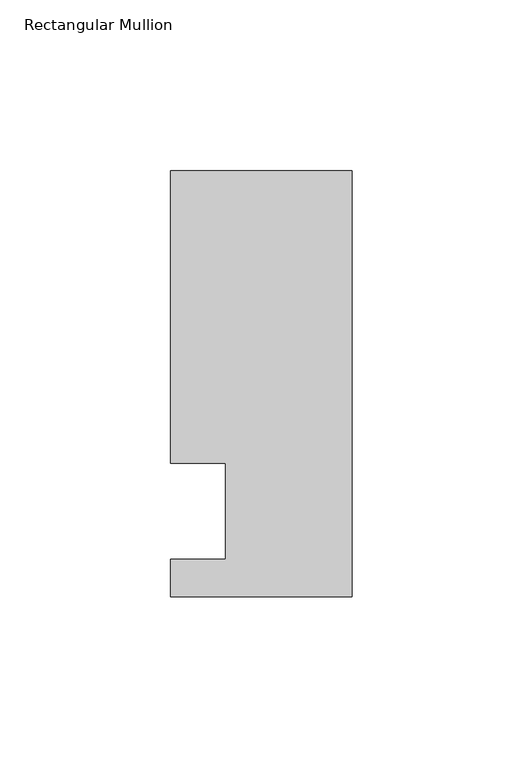
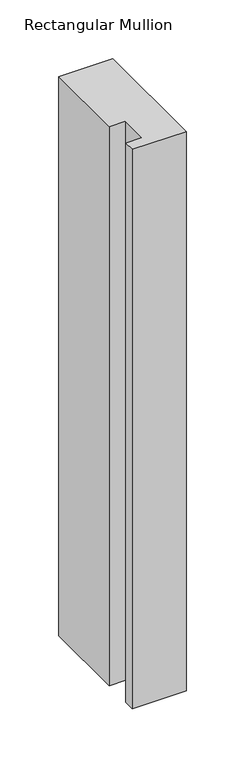
"""IFC4 building model written with IfcOpenShell, lengths in millimetres: member geometry, Rectangular Mullion."""

import ifcopenshell
import ifcopenshell.guid

model = None  # the IFC model being written
_history = None  # IfcOwnerHistory: only IFC2X3 demands one
_inside = {}  # id of a spatial element -> (the spatial element, [elements in it])
_under = {}  # id of a project, library or spatial element -> (it, [spatial elements below it])
_declared = {}  # id of a project -> (the project, [libraries it declares])
_typed = {}  # id of a type object -> (the type object, [elements of that type])
_made_of = {}  # id of a material, layer set ... -> (it, [elements and type objects made of it])


def new_model(schema):
    """Start an empty IFC model of exactly this schema.

    Asked for "IFC4X3", IfcOpenShell would pick the latest addendum, in which some entities
    have other attributes; the version numbers below select the first issue.
    IFC2X3 requires an IfcOwnerHistory on every rooted entity: one is made here for all.
    """
    global model, _history
    if schema == "IFC4X3":
        model = ifcopenshell.file(schema_version=(4, 3, 0, 0))
    else:
        model = ifcopenshell.file(schema=schema)
    _inside.clear()
    _under.clear()
    _declared.clear()
    _typed.clear()
    _made_of.clear()
    _history = None
    if model.schema == "IFC2X3":
        org = make("IfcOrganization", Name="unknown")
        user = make(
            "IfcPersonAndOrganization",
            ThePerson=make("IfcPerson", FamilyName="unknown"),
            TheOrganization=org,
        )
        app = make(
            "IfcApplication",
            ApplicationDeveloper=org,
            Version="unknown",
            ApplicationFullName="unknown",
            ApplicationIdentifier="unknown",
        )
        _history = make(
            "IfcOwnerHistory",
            OwningUser=user,
            OwningApplication=app,
            ChangeAction="ADDED",
            CreationDate=0,
        )
    return model


def make(cls, **values):
    """One entity of the class cls with the attributes given. An attribute that is None is left unset."""
    return model.create_entity(
        cls, **{name: value for name, value in values.items() if value is not None}
    )


def rooted(cls, **values):
    """An entity with a GlobalId (a new one), such as an element, a storey or a relation."""
    return make(cls, GlobalId=ifcopenshell.guid.new(), OwnerHistory=_history, **values)


def si_unit(unit_type, name, prefix=None):
    """IfcSIUnit, for example si_unit("LENGTHUNIT", "METRE", prefix="MILLI")."""
    return make("IfcSIUnit", UnitType=unit_type, Prefix=prefix, Name=name)


def assignment(units):
    """IfcUnitAssignment: the units of a project."""
    return None if units is None else make("IfcUnitAssignment", Units=units)


def point(xyz):
    """IfcCartesianPoint."""
    return None if xyz is None else make("IfcCartesianPoint", Coordinates=xyz)


def direction(xyz):
    """IfcDirection."""
    return None if xyz is None else make("IfcDirection", DirectionRatios=xyz)


def frame(location, z_axis=None, x_axis=None):
    """IfcAxis2Placement3D, a coordinate frame: its origin and axes. An axis left out is left unset."""
    return make(
        "IfcAxis2Placement3D",
        Location=point(location),
        Axis=direction(z_axis),
        RefDirection=direction(x_axis),
    )


def origin():
    """The frame at (0, 0, 0) with its axes left unset."""
    return frame((0.0, 0.0, 0.0))


def place(relative_to, where):
    """IfcLocalPlacement: puts the frame where relative to a parent placement (None: the world)."""
    return make(
        "IfcLocalPlacement", PlacementRelTo=relative_to, RelativePlacement=where
    )


def context(
    kind, dimensions, precision=None, world=None, true_north=None, identifier=None
):
    """IfcGeometricRepresentationContext, for example the 3D "Model" context."""
    return make(
        "IfcGeometricRepresentationContext",
        ContextIdentifier=identifier,
        ContextType=kind,
        CoordinateSpaceDimension=dimensions,
        Precision=precision,
        WorldCoordinateSystem=world,
        TrueNorth=true_north,
    )


def project(units=None, contexts=None):
    """IfcProject with its units and contexts."""
    return rooted(
        "IfcProject",
        Name="project",
        RepresentationContexts=contexts,
        UnitsInContext=assignment(units),
    )


def spatial(cls, under=None, at=None, **own):
    """A site, building, storey or space (cls), placed at a placement, below another one or the project."""
    s = rooted(cls, ObjectPlacement=at, **own)
    if under is not None:
        _under.setdefault(under.id(), (under, []))[1].append(s)
    return s


def polyline(points):
    """IfcPolyline through the points."""
    return make("IfcPolyline", Points=[point(p) for p in points])


def outline(outer, holes=None, kind="AREA"):
    """IfcArbitraryClosedProfileDef: a profile drawn as a closed curve; with holes, ...WithVoids."""
    if holes is None:
        return make("IfcArbitraryClosedProfileDef", ProfileType=kind, OuterCurve=outer)
    return make(
        "IfcArbitraryProfileDefWithVoids",
        ProfileType=kind,
        OuterCurve=outer,
        InnerCurves=holes,
    )


def extrude(swept, where, along, depth):
    """IfcExtrudedAreaSolid: the profile swept, set in the frame where, extruded along a direction by depth."""
    return make(
        "IfcExtrudedAreaSolid",
        SweptArea=swept,
        Position=where,
        ExtrudedDirection=direction(along),
        Depth=depth,
    )


def shape(context_of_items, identifier, shape_type, items):
    """IfcShapeRepresentation: the items that make up one representation, for example the "Body"."""
    return make(
        "IfcShapeRepresentation",
        ContextOfItems=context_of_items,
        RepresentationIdentifier=identifier,
        RepresentationType=shape_type,
        Items=items,
    )


def source(mapping_origin, context_of_items, identifier, shape_type, items):
    """IfcRepresentationMap: a shape defined once, which mapped items show again and again."""
    return make(
        "IfcRepresentationMap",
        MappingOrigin=mapping_origin,
        MappedRepresentation=shape(context_of_items, identifier, shape_type, items),
    )


def transform(
    local_origin,
    x_axis=None,
    y_axis=None,
    z_axis=None,
    scale=None,
    scale2=None,
    scale3=None,
    uniform=True,
):
    """IfcCartesianTransformationOperator3D, or its non-uniform kind. x_axis, y_axis, z_axis: its Axis1, 2, 3."""
    if uniform:
        return make(
            "IfcCartesianTransformationOperator3D",
            Axis1=direction(x_axis),
            Axis2=direction(y_axis),
            LocalOrigin=point(local_origin),
            Scale=scale,
            Axis3=direction(z_axis),
        )
    return make(
        "IfcCartesianTransformationOperator3DnonUniform",
        Axis1=direction(x_axis),
        Axis2=direction(y_axis),
        LocalOrigin=point(local_origin),
        Scale=scale,
        Axis3=direction(z_axis),
        Scale2=scale2,
        Scale3=scale3,
    )


def mapped(mapping_source, mapping_target):
    """IfcMappedItem: shows the shape of a source again, moved by a transform."""
    return make(
        "IfcMappedItem", MappingSource=mapping_source, MappingTarget=mapping_target
    )


def made_of(thing, what):
    """Note that an element or type object is made of a material, layer set ...; save() writes the relation."""
    if what is not None:
        _made_of.setdefault(what.id(), (what, []))[1].append(thing)
    return thing


def element(
    cls,
    number,
    at=None,
    inside=None,
    cuts=None,
    type_object=None,
    material=None,
    context=None,
    identifier="Body",
    shape_type=None,
    held_by="IfcProductDefinitionShape",
    body=None,
    shapes=None,
    **own,
):
    """One element of the class cls, such as IfcWall. Its Tag is "e" and its number.

    at: its placement. inside: the storey or other place that contains it. cuts: it is an
    opening in that element (IfcRelVoidsElement). A single representation is given by context,
    identifier, shape_type and body (its items); several are given by shapes. held_by: the class
    of the entity that holds the representations. save() writes the other relations.
    """
    e = rooted(cls, Tag="e%d" % number, ObjectPlacement=at, **own)
    if body is not None:
        shapes = [shape(context, identifier, shape_type, body)]
    if shapes is not None:
        e.Representation = make(held_by, Representations=shapes)
    if inside is not None:
        _inside.setdefault(inside.id(), (inside, []))[1].append(e)
    if cuts is not None:
        rooted(
            "IfcRelVoidsElement", RelatingBuildingElement=cuts, RelatedOpeningElement=e
        )
    if type_object is not None:
        _typed.setdefault(type_object.id(), (type_object, []))[1].append(e)
    return made_of(e, material)


def aggregate(whole, parts):
    """IfcRelAggregates: a whole, such as a stair, and the parts it consists of."""
    return rooted("IfcRelAggregates", RelatingObject=whole, RelatedObjects=parts)


def save(model, path):
    """Write the relations noted so far, then the file.

    IfcRelAggregates (storeys below a building ...), IfcRelContainedInSpatialStructure (elements
    in a storey), IfcRelDefinesByType, IfcRelAssociatesMaterial and IfcRelDeclares: one each for
    every whole, place, type object, material and project.
    """
    for whole, parts in _under.values():
        aggregate(whole, parts)
    for where, things in _inside.values():
        rooted(
            "IfcRelContainedInSpatialStructure",
            RelatedElements=things,
            RelatingStructure=where,
        )
    for kind, things in _typed.values():
        rooted("IfcRelDefinesByType", RelatedObjects=things, RelatingType=kind)
    for what, things in _made_of.values():
        rooted("IfcRelAssociatesMaterial", RelatedObjects=things, RelatingMaterial=what)
    for by, libraries in _declared.values():
        rooted("IfcRelDeclares", RelatingContext=by, RelatedDefinitions=libraries)
    model.write(path)


def rectangular_mullion_45c42f2e(model_context):
    return source(origin(), model_context, "Body", "SweptSolid", [
        extrude(outline(polyline([(-37.0, -13.9999453), (-37.0, 14.0000547), (-53.0, 14.0000547), (-53.0, 99.5000547), (0.0, 99.5000547), (0.0, -24.9999453), (-53.0, -24.9999453), (-53.0, -13.9999453), (-37.0, -13.9999453)])), frame((0.0, 0.0, -580.7727593), z_axis=(0.0, 0.0, 1.0), x_axis=(1.0, 0.0, 0.0)), (0.0, 0.0, 1.0), 580.7727593),
    ])


if __name__ == "__main__":
    model = new_model("IFC4")
    model_context = context("Model", 3, world=origin())
    ifc_project = project(units=[si_unit("LENGTHUNIT", "METRE", prefix="MILLI")], contexts=[model_context])
    site = spatial("IfcSite", under=ifc_project)
    building = spatial("IfcBuilding", under=site)
    placement = place(None, origin())
    rectangular_mullion_shape = rectangular_mullion_45c42f2e(model_context)
    element("IfcMember", 1, ObjectType="Rectangular Mullion", at=placement, inside=building, context=model_context, shape_type="MappedRepresentation", body=[
        mapped(rectangular_mullion_shape, transform((0.0, 0.0, 0.0), x_axis=(1.0, 0.0, 0.0), y_axis=(0.0, 1.0, 0.0), z_axis=(0.0, 0.0, 1.0))),
    ])
    save(model, "model.ifc")
